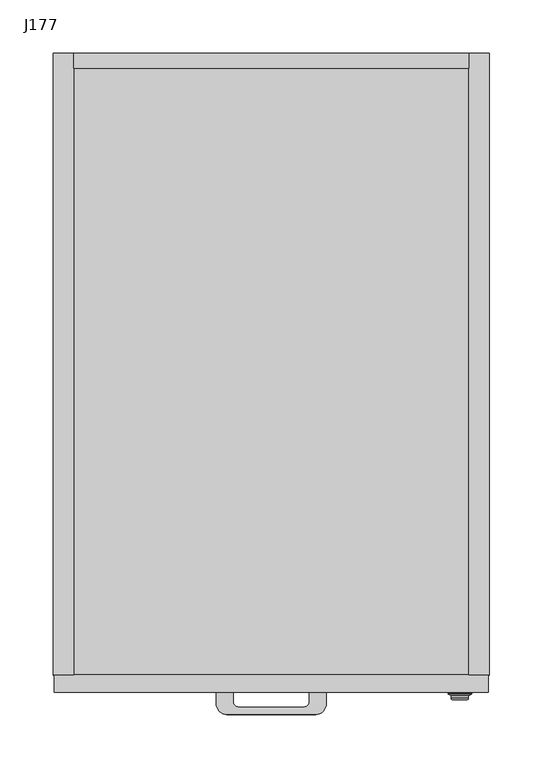
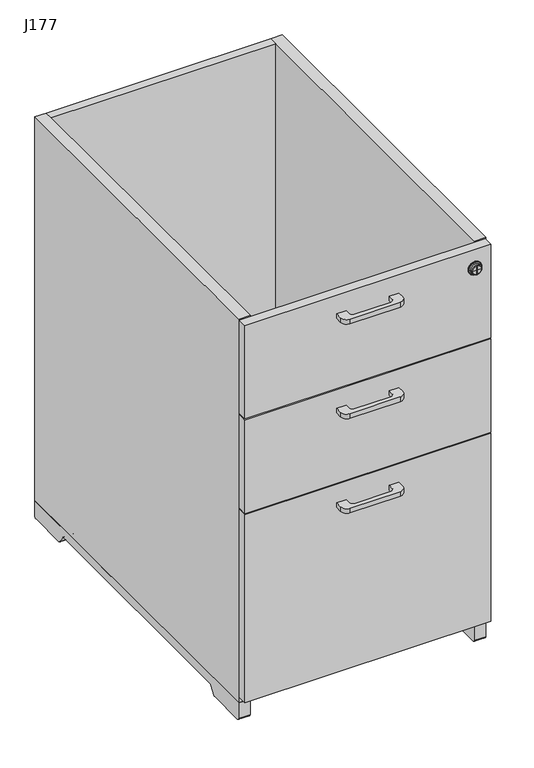
"""IFC4 building model written with IfcOpenShell, lengths in millimetres: furniture geometry, J177."""

import ifcopenshell
import ifcopenshell.guid

model = None  # the IFC model being written
_history = None  # IfcOwnerHistory: only IFC2X3 demands one
_inside = {}  # id of a spatial element -> (the spatial element, [elements in it])
_under = {}  # id of a project, library or spatial element -> (it, [spatial elements below it])
_declared = {}  # id of a project -> (the project, [libraries it declares])
_typed = {}  # id of a type object -> (the type object, [elements of that type])
_made_of = {}  # id of a material, layer set ... -> (it, [elements and type objects made of it])


def new_model(schema):
    """Start an empty IFC model of exactly this schema.

    Asked for "IFC4X3", IfcOpenShell would pick the latest addendum, in which some entities
    have other attributes; the version numbers below select the first issue.
    IFC2X3 requires an IfcOwnerHistory on every rooted entity: one is made here for all.
    """
    global model, _history
    if schema == "IFC4X3":
        model = ifcopenshell.file(schema_version=(4, 3, 0, 0))
    else:
        model = ifcopenshell.file(schema=schema)
    _inside.clear()
    _under.clear()
    _declared.clear()
    _typed.clear()
    _made_of.clear()
    _history = None
    if model.schema == "IFC2X3":
        org = make("IfcOrganization", Name="unknown")
        user = make(
            "IfcPersonAndOrganization",
            ThePerson=make("IfcPerson", FamilyName="unknown"),
            TheOrganization=org,
        )
        app = make(
            "IfcApplication",
            ApplicationDeveloper=org,
            Version="unknown",
            ApplicationFullName="unknown",
            ApplicationIdentifier="unknown",
        )
        _history = make(
            "IfcOwnerHistory",
            OwningUser=user,
            OwningApplication=app,
            ChangeAction="ADDED",
            CreationDate=0,
        )
    return model


def make(cls, **values):
    """One entity of the class cls with the attributes given. An attribute that is None is left unset."""
    return model.create_entity(
        cls, **{name: value for name, value in values.items() if value is not None}
    )


def rooted(cls, **values):
    """An entity with a GlobalId (a new one), such as an element, a storey or a relation."""
    return make(cls, GlobalId=ifcopenshell.guid.new(), OwnerHistory=_history, **values)


def si_unit(unit_type, name, prefix=None):
    """IfcSIUnit, for example si_unit("LENGTHUNIT", "METRE", prefix="MILLI")."""
    return make("IfcSIUnit", UnitType=unit_type, Prefix=prefix, Name=name)


def assignment(units):
    """IfcUnitAssignment: the units of a project."""
    return None if units is None else make("IfcUnitAssignment", Units=units)


def point(xyz):
    """IfcCartesianPoint."""
    return None if xyz is None else make("IfcCartesianPoint", Coordinates=xyz)


def direction(xyz):
    """IfcDirection."""
    return None if xyz is None else make("IfcDirection", DirectionRatios=xyz)


def frame(location, z_axis=None, x_axis=None):
    """IfcAxis2Placement3D, a coordinate frame: its origin and axes. An axis left out is left unset."""
    return make(
        "IfcAxis2Placement3D",
        Location=point(location),
        Axis=direction(z_axis),
        RefDirection=direction(x_axis),
    )


def frame_2d(location, x_axis=None):
    """IfcAxis2Placement2D, a coordinate frame in the plane: its origin and x axis."""
    return make(
        "IfcAxis2Placement2D", Location=point(location), RefDirection=direction(x_axis)
    )


def origin():
    """The frame at (0, 0, 0) with its axes left unset."""
    return frame((0.0, 0.0, 0.0))


def place(relative_to, where):
    """IfcLocalPlacement: puts the frame where relative to a parent placement (None: the world)."""
    return make(
        "IfcLocalPlacement", PlacementRelTo=relative_to, RelativePlacement=where
    )


def context(
    kind, dimensions, precision=None, world=None, true_north=None, identifier=None
):
    """IfcGeometricRepresentationContext, for example the 3D "Model" context."""
    return make(
        "IfcGeometricRepresentationContext",
        ContextIdentifier=identifier,
        ContextType=kind,
        CoordinateSpaceDimension=dimensions,
        Precision=precision,
        WorldCoordinateSystem=world,
        TrueNorth=true_north,
    )


def project(units=None, contexts=None):
    """IfcProject with its units and contexts."""
    return rooted(
        "IfcProject",
        Name="project",
        RepresentationContexts=contexts,
        UnitsInContext=assignment(units),
    )


def spatial(cls, under=None, at=None, **own):
    """A site, building, storey or space (cls), placed at a placement, below another one or the project."""
    s = rooted(cls, ObjectPlacement=at, **own)
    if under is not None:
        _under.setdefault(under.id(), (under, []))[1].append(s)
    return s


def polyline(points):
    """IfcPolyline through the points."""
    return make("IfcPolyline", Points=[point(p) for p in points])


def circle_curve(where, radius):
    """IfcCircle in the frame where."""
    return make("IfcCircle", Position=where, Radius=radius)


def ellipse_curve(where, semi_axis1, semi_axis2):
    """IfcEllipse in the frame where."""
    return make(
        "IfcEllipse", Position=where, SemiAxis1=semi_axis1, SemiAxis2=semi_axis2
    )


def trimmed(basis, trim1, trim2, sense, master):
    """IfcTrimmedCurve: the piece of a basis curve between two trims."""
    return make(
        "IfcTrimmedCurve",
        BasisCurve=basis,
        Trim1=trim1,
        Trim2=trim2,
        SenseAgreement=sense,
        MasterRepresentation=master,
    )


def segment(curve, same_sense, transition):
    """IfcCompositeCurveSegment."""
    return make(
        "IfcCompositeCurveSegment",
        Transition=transition,
        SameSense=same_sense,
        ParentCurve=curve,
    )


def composite_curve(segments, self_intersect=None):
    """IfcCompositeCurve: segments joined end to end."""
    return make("IfcCompositeCurve", Segments=segments, SelfIntersect=self_intersect)


def outline(outer, holes=None, kind="AREA"):
    """IfcArbitraryClosedProfileDef: a profile drawn as a closed curve; with holes, ...WithVoids."""
    if holes is None:
        return make("IfcArbitraryClosedProfileDef", ProfileType=kind, OuterCurve=outer)
    return make(
        "IfcArbitraryProfileDefWithVoids",
        ProfileType=kind,
        OuterCurve=outer,
        InnerCurves=holes,
    )


def extrude(swept, where, along, depth):
    """IfcExtrudedAreaSolid: the profile swept, set in the frame where, extruded along a direction by depth."""
    return make(
        "IfcExtrudedAreaSolid",
        SweptArea=swept,
        Position=where,
        ExtrudedDirection=direction(along),
        Depth=depth,
    )


def shape(context_of_items, identifier, shape_type, items):
    """IfcShapeRepresentation: the items that make up one representation, for example the "Body"."""
    return make(
        "IfcShapeRepresentation",
        ContextOfItems=context_of_items,
        RepresentationIdentifier=identifier,
        RepresentationType=shape_type,
        Items=items,
    )


def source(mapping_origin, context_of_items, identifier, shape_type, items):
    """IfcRepresentationMap: a shape defined once, which mapped items show again and again."""
    return make(
        "IfcRepresentationMap",
        MappingOrigin=mapping_origin,
        MappedRepresentation=shape(context_of_items, identifier, shape_type, items),
    )


def transform(
    local_origin,
    x_axis=None,
    y_axis=None,
    z_axis=None,
    scale=None,
    scale2=None,
    scale3=None,
    uniform=True,
):
    """IfcCartesianTransformationOperator3D, or its non-uniform kind. x_axis, y_axis, z_axis: its Axis1, 2, 3."""
    if uniform:
        return make(
            "IfcCartesianTransformationOperator3D",
            Axis1=direction(x_axis),
            Axis2=direction(y_axis),
            LocalOrigin=point(local_origin),
            Scale=scale,
            Axis3=direction(z_axis),
        )
    return make(
        "IfcCartesianTransformationOperator3DnonUniform",
        Axis1=direction(x_axis),
        Axis2=direction(y_axis),
        LocalOrigin=point(local_origin),
        Scale=scale,
        Axis3=direction(z_axis),
        Scale2=scale2,
        Scale3=scale3,
    )


def mapped(mapping_source, mapping_target):
    """IfcMappedItem: shows the shape of a source again, moved by a transform."""
    return make(
        "IfcMappedItem", MappingSource=mapping_source, MappingTarget=mapping_target
    )


def made_of(thing, what):
    """Note that an element or type object is made of a material, layer set ...; save() writes the relation."""
    if what is not None:
        _made_of.setdefault(what.id(), (what, []))[1].append(thing)
    return thing


def element(
    cls,
    number,
    at=None,
    inside=None,
    cuts=None,
    type_object=None,
    material=None,
    context=None,
    identifier="Body",
    shape_type=None,
    held_by="IfcProductDefinitionShape",
    body=None,
    shapes=None,
    **own,
):
    """One element of the class cls, such as IfcWall. Its Tag is "e" and its number.

    at: its placement. inside: the storey or other place that contains it. cuts: it is an
    opening in that element (IfcRelVoidsElement). A single representation is given by context,
    identifier, shape_type and body (its items); several are given by shapes. held_by: the class
    of the entity that holds the representations. save() writes the other relations.
    """
    e = rooted(cls, Tag="e%d" % number, ObjectPlacement=at, **own)
    if body is not None:
        shapes = [shape(context, identifier, shape_type, body)]
    if shapes is not None:
        e.Representation = make(held_by, Representations=shapes)
    if inside is not None:
        _inside.setdefault(inside.id(), (inside, []))[1].append(e)
    if cuts is not None:
        rooted(
            "IfcRelVoidsElement", RelatingBuildingElement=cuts, RelatedOpeningElement=e
        )
    if type_object is not None:
        _typed.setdefault(type_object.id(), (type_object, []))[1].append(e)
    return made_of(e, material)


def aggregate(whole, parts):
    """IfcRelAggregates: a whole, such as a stair, and the parts it consists of."""
    return rooted("IfcRelAggregates", RelatingObject=whole, RelatedObjects=parts)


def save(model, path):
    """Write the relations noted so far, then the file.

    IfcRelAggregates (storeys below a building ...), IfcRelContainedInSpatialStructure (elements
    in a storey), IfcRelDefinesByType, IfcRelAssociatesMaterial and IfcRelDeclares: one each for
    every whole, place, type object, material and project.
    """
    for whole, parts in _under.values():
        aggregate(whole, parts)
    for where, things in _inside.values():
        rooted(
            "IfcRelContainedInSpatialStructure",
            RelatedElements=things,
            RelatingStructure=where,
        )
    for kind, things in _typed.values():
        rooted("IfcRelDefinesByType", RelatedObjects=things, RelatingType=kind)
    for what, things in _made_of.values():
        rooted("IfcRelAssociatesMaterial", RelatedObjects=things, RelatingMaterial=what)
    for by, libraries in _declared.values():
        rooted("IfcRelDeclares", RelatingContext=by, RelatedDefinitions=libraries)
    model.write(path)


def plane_surface(at):
    """IfcPlane: the flat surface through the origin of the frame at, square to its z axis."""
    return make("IfcPlane", Position=at)


def cylinder_surface(at, radius):
    """IfcCylindricalSurface: all points at the distance radius from the z axis of the frame at."""
    return make("IfcCylindricalSurface", Position=at, Radius=radius)


def revolved_surface(curve, axis_point, axis_direction):
    """IfcSurfaceOfRevolution: the curve turned about the line through axis_point along axis_direction."""
    return make(
        "IfcSurfaceOfRevolution",
        SweptCurve=make("IfcArbitraryOpenProfileDef", ProfileType="CURVE", Curve=curve),
        AxisPosition=make("IfcAxis1Placement", Location=point(axis_point), Axis=direction(axis_direction)),
    )


def advanced_brep(points, edges, surfaces, faces):
    """IfcAdvancedBrep: a solid bounded by faces that lie on surfaces and meet in shared edges.

    An edge is (start, end): straight between two places in points (the first is 0);
    or (start, end, curve); or (start, end, curve, False) where it runs against its curve.
    A face is (place in surfaces, loops), or (place, loops, False) where it looks against
    its surface's normal. A loop lists edges by number (the first is 1), with a minus sign
    where the edge is run from its end to its start. The first loop is the outer one.
    """
    corners = [point(p) for p in points]
    vertices = [make("IfcVertexPoint", VertexGeometry=c) for c in corners]
    made = []
    for start, end, *more in edges:
        made.append(
            make(
                "IfcEdgeCurve",
                EdgeStart=vertices[start],
                EdgeEnd=vertices[end],
                EdgeGeometry=more[0] if more else make("IfcPolyline", Points=[corners[start], corners[end]]),
                SameSense=more[1] if len(more) > 1 else True,
            )
        )
    hull = []
    for where, loops, *sense in faces:
        bounds = []
        for j, loop in enumerate(loops):
            ring = [make("IfcOrientedEdge", EdgeElement=made[abs(k) - 1], Orientation=k > 0) for k in loop]
            bounds.append(
                make(
                    "IfcFaceOuterBound" if j == 0 else "IfcFaceBound",
                    Bound=make("IfcEdgeLoop", EdgeList=ring),
                    Orientation=True,
                )
            )
        hull.append(make("IfcAdvancedFace", Bounds=bounds, FaceSurface=surfaces[where], SameSense=sense[0] if sense else True))
    return make("IfcAdvancedBrep", Outer=make("IfcClosedShell", CfsFaces=hull))


def j177_4458e185(model_context):
    return source(origin(), model_context, "Body", "SolidModel", [
        extrude(outline(composite_curve([segment(polyline([(-35.5, -300.0), (-35.5, -309.0)]), True, "CONTINUOUS"), segment(trimmed(circle_curve(frame_2d((-30.5, -309.0)), 5.0), [point((-35.5, -309.0))], [point((-30.5, -314.0))], True, "CARTESIAN"), True, "CONTINUOUS"), segment(polyline([(-30.5, -314.0), (30.5, -314.0)]), True, "CONTINUOUS"), segment(trimmed(circle_curve(frame_2d((30.5, -309.0)), 5.0), [point((30.5, -314.0))], [point((35.5, -309.0))], True, "CARTESIAN"), True, "CONTINUOUS"), segment(polyline([(35.5, -309.0), (35.5, -300.0), (51.5, -300.0), (51.5, -311.0)]), True, "CONTINUOUS"), segment(trimmed(circle_curve(frame_2d((41.5, -311.0)), 10.0), [point((51.5, -311.0))], [point((41.5, -321.0))], False, "CARTESIAN"), True, "CONTINUOUS"), segment(polyline([(41.5, -321.0), (-41.5, -321.0)]), True, "CONTINUOUS"), segment(trimmed(circle_curve(frame_2d((-41.5, -311.0)), 10.0), [point((-41.5, -321.0))], [point((-51.5, -311.0))], False, "CARTESIAN"), True, "CONTINUOUS"), segment(polyline([(-51.5, -311.0), (-51.5, -300.0), (-35.5, -300.0)]), True, "CONTINUOUS")], self_intersect=False)), frame((0.0, 0.0, 327.5), z_axis=(0.0, 0.0, 1.0), x_axis=(1.0, 0.0, 0.0)), (0.0, 0.0, 1.0), 8.0),
        extrude(outline(composite_curve([segment(polyline([(-35.5, -300.0), (-35.5, -309.0)]), True, "CONTINUOUS"), segment(trimmed(circle_curve(frame_2d((-30.5, -309.0)), 5.0), [point((-35.5, -309.0))], [point((-30.5, -314.0))], True, "CARTESIAN"), True, "CONTINUOUS"), segment(polyline([(-30.5, -314.0), (30.5, -314.0)]), True, "CONTINUOUS"), segment(trimmed(circle_curve(frame_2d((30.5, -309.0)), 5.0), [point((30.5, -314.0))], [point((35.5, -309.0))], True, "CARTESIAN"), True, "CONTINUOUS"), segment(polyline([(35.5, -309.0), (35.5, -300.0), (51.5, -300.0), (51.5, -311.0)]), True, "CONTINUOUS"), segment(trimmed(circle_curve(frame_2d((41.5, -311.0)), 10.0), [point((51.5, -311.0))], [point((41.5, -321.0))], False, "CARTESIAN"), True, "CONTINUOUS"), segment(polyline([(41.5, -321.0), (-41.5, -321.0)]), True, "CONTINUOUS"), segment(trimmed(circle_curve(frame_2d((-41.5, -311.0)), 10.0), [point((-41.5, -321.0))], [point((-51.5, -311.0))], False, "CARTESIAN"), True, "CONTINUOUS"), segment(polyline([(-51.5, -311.0), (-51.5, -300.0), (-35.5, -300.0)]), True, "CONTINUOUS")], self_intersect=False)), frame((0.0, 0.0, 492.5), z_axis=(0.0, 0.0, 1.0), x_axis=(1.0, 0.0, 0.0)), (0.0, 0.0, 1.0), 8.0),
        extrude(outline(composite_curve([segment(polyline([(-35.5, -300.0), (-35.5, -309.0)]), True, "CONTINUOUS"), segment(trimmed(circle_curve(frame_2d((-30.5, -309.0)), 5.0), [point((-35.5, -309.0))], [point((-30.5, -314.0))], True, "CARTESIAN"), True, "CONTINUOUS"), segment(polyline([(-30.5, -314.0), (30.5, -314.0)]), True, "CONTINUOUS"), segment(trimmed(circle_curve(frame_2d((30.5, -309.0)), 5.0), [point((30.5, -314.0))], [point((35.5, -309.0))], True, "CARTESIAN"), True, "CONTINUOUS"), segment(polyline([(35.5, -309.0), (35.5, -300.0), (51.5, -300.0), (51.5, -311.0)]), True, "CONTINUOUS"), segment(trimmed(circle_curve(frame_2d((41.5, -311.0)), 10.0), [point((51.5, -311.0))], [point((41.5, -321.0))], False, "CARTESIAN"), True, "CONTINUOUS"), segment(polyline([(41.5, -321.0), (-41.5, -321.0)]), True, "CONTINUOUS"), segment(trimmed(circle_curve(frame_2d((-41.5, -311.0)), 10.0), [point((-41.5, -321.0))], [point((-51.5, -311.0))], False, "CARTESIAN"), True, "CONTINUOUS"), segment(polyline([(-51.5, -311.0), (-51.5, -300.0), (-35.5, -300.0)]), True, "CONTINUOUS")], self_intersect=False)), frame((0.0, 0.0, 657.5), z_axis=(0.0, 0.0, 1.0), x_axis=(1.0, 0.0, 0.0)), (0.0, 0.0, 1.0), 8.0),
        advanced_brep(
        [(176.5, -300.0, 666.0), (187.5, -300.0, 666.0), (165.5, -300.0, 666.0), (169.5, -307.0, 666.0), (183.5, -307.0, 666.0), (178.0, -307.0, 666.0), (178.0, -307.0, 659.5), (175.0, -307.0, 659.5), (175.0, -307.0, 666.0), (175.0, -307.0, 672.5), (178.0, -307.0, 672.5), (168.5, -306.0, 666.0), (184.5, -306.0, 666.0), (168.5, -302.0, 666.0), (184.5, -302.0, 666.0), (167.5, -302.0, 666.0), (185.5, -302.0, 666.0), (167.5, -303.0, 666.0), (185.5, -303.0, 666.0), (166.0527864, -302.2763932, 666.0), (186.9472136, -302.2763932, 666.0), (165.5, -301.381966, 666.0), (187.5, -301.381966, 666.0), (178.0, -303.0, 672.5), (175.0, -303.0, 672.5), (175.0, -303.0, 659.5), (178.0, -303.0, 659.5)],
        [
            (0, 1),
            (1, 2, circle_curve(frame((176.5, -300.0, 666.0), z_axis=(0.0, 1.0, 0.0), x_axis=(1.0, 0.0, 0.0)), 11.0)),
            (2, 0),
            (2, 1, circle_curve(frame((176.5, -300.0, 666.0), z_axis=(0.0, 1.0, 0.0), x_axis=(1.0, 0.0, 0.0)), 11.0)),
            (3, 4, circle_curve(frame((176.5, -307.0, 666.0), z_axis=(0.0, -1.0, 0.0), x_axis=(1.0, 0.0, 0.0)), 7.0)),
            (4, 5),
            (5, 6),
            (6, 7),
            (7, 8),
            (8, 3),
            (4, 3, circle_curve(frame((176.5, -307.0, 666.0), z_axis=(0.0, -1.0, 0.0), x_axis=(1.0, 0.0, 0.0)), 7.0)),
            (8, 9),
            (9, 10),
            (10, 5),
            (3, 11, circle_curve(frame((169.5, -306.0, 666.0), z_axis=(0.0, 0.0, -1.0), x_axis=(-1.0, 0.0, 0.0)), 1.0)),
            (11, 12, circle_curve(frame((176.5, -306.0, 666.0), z_axis=(0.0, -1.0, 0.0), x_axis=(1.0, 0.0, 0.0)), 8.0)),
            (12, 4, circle_curve(frame((183.5, -306.0, 666.0), z_axis=(0.0, 0.0, -1.0), x_axis=(1.0, 0.0, 0.0)), 1.0)),
            (12, 11, circle_curve(frame((176.5, -306.0, 666.0), z_axis=(0.0, -1.0, 0.0), x_axis=(1.0, 0.0, 0.0)), 8.0)),
            (11, 13),
            (13, 14, circle_curve(frame((176.5, -302.0, 666.0), z_axis=(0.0, -1.0, 0.0), x_axis=(1.0, 0.0, 0.0)), 8.0)),
            (14, 12),
            (14, 13, circle_curve(frame((176.5, -302.0, 666.0), z_axis=(0.0, -1.0, 0.0), x_axis=(1.0, 0.0, 0.0)), 8.0)),
            (13, 15),
            (15, 16, circle_curve(frame((176.5, -302.0, 666.0), z_axis=(0.0, -1.0, 0.0), x_axis=(1.0, 0.0, 0.0)), 9.0)),
            (16, 14),
            (16, 15, circle_curve(frame((176.5, -302.0, 666.0), z_axis=(0.0, -1.0, 0.0), x_axis=(1.0, 0.0, 0.0)), 9.0)),
            (15, 17),
            (17, 18, circle_curve(frame((176.5, -303.0, 666.0), z_axis=(0.0, -1.0, 0.0), x_axis=(1.0, 0.0, 0.0)), 9.0)),
            (18, 16),
            (18, 17, circle_curve(frame((176.5, -303.0, 666.0), z_axis=(0.0, -1.0, 0.0), x_axis=(1.0, 0.0, 0.0)), 9.0)),
            (17, 19),
            (19, 20, circle_curve(frame((176.5, -302.2763932, 666.0), z_axis=(0.0, -1.0, 0.0), x_axis=(1.0, 0.0, 0.0)), 10.4472136)),
            (20, 18),
            (20, 19, circle_curve(frame((176.5, -302.2763932, 666.0), z_axis=(0.0, -1.0, 0.0), x_axis=(1.0, 0.0, 0.0)), 10.4472136)),
            (19, 21, circle_curve(frame((166.5, -301.381966, 666.0), z_axis=(0.0, 0.0, -1.0), x_axis=(-1.0, 0.0, 0.0)), 1.0)),
            (21, 22, circle_curve(frame((176.5, -301.381966, 666.0), z_axis=(0.0, -1.0, 0.0), x_axis=(1.0, 0.0, 0.0)), 11.0)),
            (22, 20, circle_curve(frame((186.5, -301.381966, 666.0), z_axis=(0.0, 0.0, -1.0), x_axis=(1.0, 0.0, 0.0)), 1.0)),
            (22, 21, circle_curve(frame((176.5, -301.381966, 666.0), z_axis=(0.0, -1.0, 0.0), x_axis=(1.0, 0.0, 0.0)), 11.0)),
            (1, 22),
            (21, 2),
            (23, 24),
            (24, 25),
            (25, 26),
            (26, 23),
            (23, 10),
            (9, 24),
            (7, 25),
            (6, 26),
        ],
        [
            plane_surface(frame((176.5, -300.0, 666.0), z_axis=(0.0, 1.0, 0.0), x_axis=(1.0, 0.0, 0.0))),
            plane_surface(frame((176.5, -307.0, 666.0), z_axis=(0.0, -1.0, 0.0), x_axis=(1.0, 0.0, 0.0))),
            revolved_surface(trimmed(ellipse_curve(frame((183.5, -306.0, 666.0), z_axis=(0.0, 0.0, 1.0), x_axis=(1.0, 0.0, 0.0)), 1.0, 1.0), [point((183.5, -307.0, 666.0))], [point((184.5, -306.0, 666.0))], True, "CARTESIAN"), (176.5, 1182.5791904, 666.0), (0.0, 1.0, 0.0)),
            cylinder_surface(frame((176.5, 1182.5791904, 666.0), z_axis=(0.0, 1.0, 0.0), x_axis=(1.0, 0.0, 0.0)), 8.0),
            plane_surface(frame((176.5, -302.0, 666.0), z_axis=(0.0, -1.0, 0.0), x_axis=(1.0, 0.0, 0.0))),
            revolved_surface(polyline([(185.5, -302.0, 666.0), (185.5, -303.0, 666.0)]), (176.5, 1182.5791904, 666.0), (0.0, 1.0, 0.0)),
            revolved_surface(polyline([(185.5, -303.0, 666.0), (186.9472136, -302.2763932, 666.0)]), (176.5, 1182.5791904, 666.0), (0.0, 1.0, 0.0)),
            revolved_surface(trimmed(ellipse_curve(frame((186.5, -301.381966, 666.0), z_axis=(0.0, 0.0, 1.0), x_axis=(1.0, 0.0, 0.0)), 1.0, 1.0), [point((186.9472136, -302.2763932, 666.0))], [point((187.5, -301.381966, 666.0))], True, "CARTESIAN"), (176.5, 1182.5791904, 666.0), (0.0, 1.0, 0.0)),
            cylinder_surface(frame((176.5, 1182.5791904, 666.0), z_axis=(0.0, 1.0, 0.0), x_axis=(1.0, 0.0, 0.0)), 11.0),
            plane_surface(frame((175.0, -303.0, 672.5), z_axis=(0.0, -1.0, 0.0), x_axis=(1.0, 0.0, 0.0))),
            plane_surface(frame((178.0, -307.0, 672.5), z_axis=(0.0, 0.0, -1.0), x_axis=(0.0, 1.0, 0.0))),
            plane_surface(frame((175.0, -307.0, 672.5), z_axis=(1.0, 0.0, 0.0), x_axis=(0.0, 1.0, 0.0))),
            plane_surface(frame((175.0, -307.0, 659.5), z_axis=(0.0, 0.0, 1.0), x_axis=(0.0, 1.0, 0.0))),
            plane_surface(frame((178.0, -307.0, 659.5), z_axis=(-1.0, 0.0, 0.0), x_axis=(0.0, 1.0, 0.0))),
        ],
        [
            (0, [[1, 2, 3]]),
            (0, [[-1, -3, 4]]),
            (1, [[5, 6, 7, 8, 9, 10]]),
            (1, [[11, -10, 12, 13, 14, -6]]),
            (2, [[-5, 15, 16, 17]]),
            (2, [[-11, -17, 18, -15]]),
            (3, [[-16, 19, 20, 21]]),
            (3, [[-18, -21, 22, -19]]),
            (4, [[-20, 23, 24, 25]]),
            (4, [[-22, -25, 26, -23]]),
            (5, [[-24, 27, 28, 29]]),
            (5, [[-26, -29, 30, -27]]),
            (6, [[-28, 31, 32, 33]]),
            (6, [[-30, -33, 34, -31]]),
            (7, [[-32, 35, 36, 37]]),
            (7, [[-34, -37, 38, -35]]),
            (8, [[-2, 39, -36, 40]]),
            (8, [[-4, -40, -38, -39]]),
            (9, [[41, 42, 43, 44]]),
            (10, [[-41, 45, -13, 46]]),
            (11, [[-42, -46, -12, -9, 47]]),
            (12, [[-43, -47, -8, 48]]),
            (13, [[-44, -48, -7, -14, -45]]),
        ],
    ),
        extrude(outline(composite_curve([segment(trimmed(circle_curve(frame_2d((295.0, 3.0)), 3.0), [point((298.0, 3.0))], [point((295.0, 0.0))], False, "CARTESIAN"), True, "CONTINUOUS"), segment(polyline([(295.0, 0.0), (229.6055513, 0.0)]), True, "CONTINUOUS"), segment(trimmed(circle_curve(frame_2d((229.6055513, 3.0)), 3.0), [point((229.6055513, 0.0))], [point((227.1094004, 1.3358994))], False, "CARTESIAN"), True, "CONTINUOUS"), segment(polyline([(227.1094004, 1.3358994), (218.8905996, 13.6641006)]), True, "CONTINUOUS"), segment(trimmed(circle_curve(frame_2d((216.3944487, 12.0)), 3.0), [point((218.8905996, 13.6641006))], [point((216.3944487, 15.0))], True, "CARTESIAN"), True, "CONTINUOUS"), segment(polyline([(216.3944487, 15.0), (-202.3944487, 15.0)]), True, "CONTINUOUS"), segment(trimmed(circle_curve(frame_2d((-202.3944487, 12.0)), 3.0), [point((-202.3944487, 15.0))], [point((-204.8905996, 13.6641006))], True, "CARTESIAN"), True, "CONTINUOUS"), segment(polyline([(-204.8905996, 13.6641006), (-213.1094004, 1.3358994)]), True, "CONTINUOUS"), segment(trimmed(circle_curve(frame_2d((-215.6055513, 3.0)), 3.0), [point((-213.1094004, 1.3358994))], [point((-215.6055513, 0.0))], False, "CARTESIAN"), True, "CONTINUOUS"), segment(polyline([(-215.6055513, 0.0), (-281.0, 0.0)]), True, "CONTINUOUS"), segment(trimmed(circle_curve(frame_2d((-281.0, 3.0)), 3.0), [point((-281.0, 0.0))], [point((-284.0, 3.0))], False, "CARTESIAN"), True, "CONTINUOUS"), segment(polyline([(-284.0, 3.0), (-284.0, 30.0), (298.0, 30.0), (298.0, 3.0)]), True, "CONTINUOUS")], self_intersect=False)), frame((-204.0, 0.0, 0.0), z_axis=(1.0, 0.0, 0.0), x_axis=(0.0, 1.0, 0.0)), (0.0, 0.0, 1.0), 19.0),
        extrude(outline(composite_curve([segment(polyline([(298.0, 30.0), (298.0, 3.0)]), True, "CONTINUOUS"), segment(trimmed(circle_curve(frame_2d((295.0, 3.0)), 3.0), [point((298.0, 3.0))], [point((295.0, 0.0))], False, "CARTESIAN"), True, "CONTINUOUS"), segment(polyline([(295.0, 0.0), (229.6055513, 0.0)]), True, "CONTINUOUS"), segment(trimmed(circle_curve(frame_2d((229.6055513, 3.0)), 3.0), [point((229.6055513, 0.0))], [point((227.1094004, 1.3358994))], False, "CARTESIAN"), True, "CONTINUOUS"), segment(polyline([(227.1094004, 1.3358994), (218.8905996, 13.6641006)]), True, "CONTINUOUS"), segment(trimmed(circle_curve(frame_2d((216.3944487, 12.0)), 3.0), [point((218.8905996, 13.6641006))], [point((216.3944487, 15.0))], True, "CARTESIAN"), True, "CONTINUOUS"), segment(polyline([(216.3944487, 15.0), (-202.3944487, 15.0)]), True, "CONTINUOUS"), segment(trimmed(circle_curve(frame_2d((-202.3944487, 12.0)), 3.0), [point((-202.3944487, 15.0))], [point((-204.8905996, 13.6641006))], True, "CARTESIAN"), True, "CONTINUOUS"), segment(polyline([(-204.8905996, 13.6641006), (-213.1094004, 1.3358994)]), True, "CONTINUOUS"), segment(trimmed(circle_curve(frame_2d((-215.6055513, 3.0)), 3.0), [point((-213.1094004, 1.3358994))], [point((-215.6055513, 0.0))], False, "CARTESIAN"), True, "CONTINUOUS"), segment(polyline([(-215.6055513, 0.0), (-281.0, 0.0)]), True, "CONTINUOUS"), segment(trimmed(circle_curve(frame_2d((-281.0, 3.0)), 3.0), [point((-281.0, 0.0))], [point((-284.0, 3.0))], False, "CARTESIAN"), True, "CONTINUOUS"), segment(polyline([(-284.0, 3.0), (-284.0, 30.0), (298.0, 30.0)]), True, "CONTINUOUS")], self_intersect=False)), frame((185.0, 0.0, 0.0), z_axis=(1.0, 0.0, 0.0), x_axis=(0.0, 1.0, 0.0)), (0.0, 0.0, 1.0), 19.0),
        extrude(outline(polyline([(203.0, -300.0), (-203.0, -300.0), (-203.0, -284.0), (203.0, -284.0), (203.0, -300.0)])), frame((0.0, 0.0, 40.0), z_axis=(0.0, 0.0, 1.0), x_axis=(1.0, 0.0, 0.0)), (0.0, 0.0, 1.0), 327.5),
        extrude(outline(polyline([(185.0, 284.0), (185.0, -284.0), (-185.0, -284.0), (-185.0, 284.0), (185.0, 284.0)])), frame((0.0, 0.0, 30.0), z_axis=(0.0, 0.0, 1.0), x_axis=(1.0, 0.0, 0.0)), (0.0, 0.0, 1.0), 14.0),
        extrude(outline(polyline([(185.0, 298.0), (185.0, 284.0), (-185.0, 284.0), (-185.0, 298.0), (185.0, 298.0)])), frame((0.0, 0.0, 30.0), z_axis=(0.0, 0.0, 1.0), x_axis=(1.0, 0.0, 0.0)), (0.0, 0.0, 1.0), 670.0),
        extrude(outline(polyline([(203.0, -300.0), (-203.0, -300.0), (-203.0, -284.0), (203.0, -284.0), (203.0, -300.0)])), frame((0.0, 0.0, 370.0), z_axis=(0.0, 0.0, 1.0), x_axis=(1.0, 0.0, 0.0)), (0.0, 0.0, 1.0), 162.5),
        extrude(outline(polyline([(203.0, -300.0), (-203.0, -300.0), (-203.0, -284.0), (203.0, -284.0), (203.0, -300.0)])), frame((0.0, 0.0, 535.0), z_axis=(0.0, 0.0, 1.0), x_axis=(1.0, 0.0, 0.0)), (0.0, 0.0, 1.0), 162.5),
        extrude(outline(polyline([(-185.0, 298.0), (-185.0, -284.0), (-204.0, -284.0), (-204.0, 298.0), (-185.0, 298.0)])), frame((0.0, 0.0, 30.0), z_axis=(0.0, 0.0, 1.0), x_axis=(1.0, 0.0, 0.0)), (0.0, 0.0, 1.0), 670.0),
        extrude(outline(polyline([(185.0, 298.0), (204.0, 298.0), (204.0, -284.0), (185.0, -284.0), (185.0, 298.0)])), frame((0.0, 0.0, 30.0), z_axis=(0.0, 0.0, 1.0), x_axis=(1.0, 0.0, 0.0)), (0.0, 0.0, 1.0), 670.0),
    ])


if __name__ == "__main__":
    model = new_model("IFC4")
    model_context = context("Model", 3, world=origin())
    ifc_project = project(units=[si_unit("LENGTHUNIT", "METRE", prefix="MILLI")], contexts=[model_context])
    site = spatial("IfcSite", under=ifc_project)
    building = spatial("IfcBuilding", under=site)
    placement = place(None, origin())
    j177_shape = j177_4458e185(model_context)
    element("IfcFurniture", 1, ObjectType="J177", at=placement, inside=building, context=model_context, shape_type="MappedRepresentation", body=[
        mapped(j177_shape, transform((0.0, 0.0, 0.0), x_axis=(1.0, 0.0, 0.0), y_axis=(0.0, 1.0, 0.0), z_axis=(0.0, 0.0, 1.0))),
    ])
    save(model, "model.ifc")
